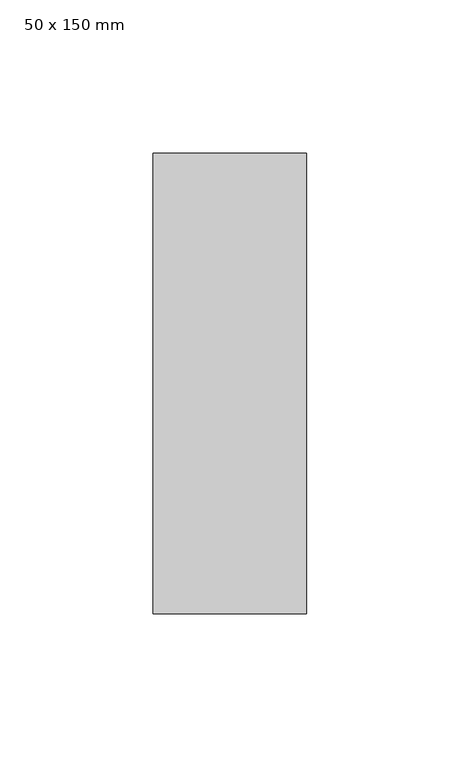
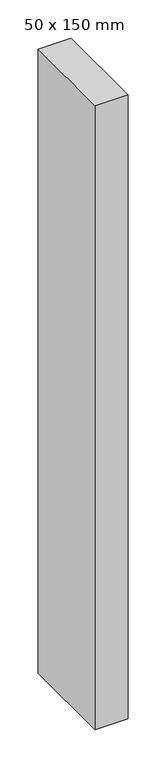
"""IFC4 building model written with IfcOpenShell, lengths in millimetres: member geometry, 50 x 150 mm."""

from ifc_helpers import new_model, si_unit, frame, origin, place, context, project, spatial, polyline, outline, extrude, source, transform, mapped, element, save


def member_50_x_150_mm_bbc1c4ea(model_context):
    return source(origin(), model_context, "Body", "SweptSolid", [
        extrude(outline(polyline([(25.0, 75.0), (25.0, -75.0), (-25.0, -75.0), (-25.0, 75.0), (25.0, 75.0)])), frame((0.0, 0.0, -1000.0), z_axis=(0.0, 0.0, 1.0), x_axis=(1.0, 0.0, 0.0)), (0.0, 0.0, 1.0), 1000.0),
    ])


if __name__ == "__main__":
    model = new_model("IFC4")
    model_context = context("Model", 3, world=origin())
    ifc_project = project(units=[si_unit("LENGTHUNIT", "METRE", prefix="MILLI")], contexts=[model_context])
    site = spatial("IfcSite", under=ifc_project)
    building = spatial("IfcBuilding", under=site)
    placement = place(None, origin())
    member_50_x_150_mm_shape = member_50_x_150_mm_bbc1c4ea(model_context)
    element("IfcMember", 1, ObjectType="50 x 150 mm", at=placement, inside=building, context=model_context, shape_type="MappedRepresentation", body=[
        mapped(member_50_x_150_mm_shape, transform((0.0, 0.0, 0.0), x_axis=(1.0, 0.0, 0.0), y_axis=(0.0, 1.0, 0.0), z_axis=(0.0, 0.0, 1.0))),
    ])
    save(model, "model.ifc")
